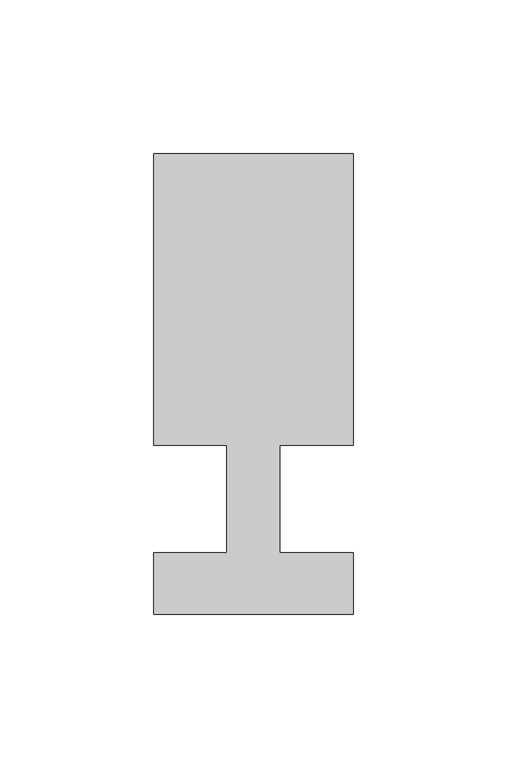
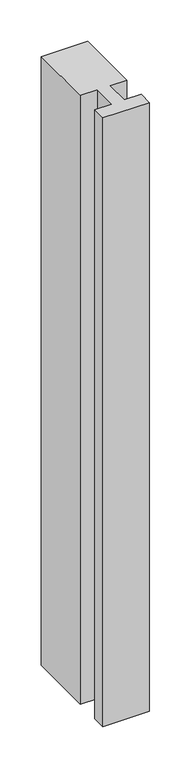
"""IFC4 building model written with IfcOpenShell, lengths in millimetres: member geometry."""

from ifc_helpers import new_model, si_unit, frame, origin, place, context, project, spatial, polyline, outline, extrude, source, transform, mapped, element, save


def member_b3e5bf6f(model_context):
    return source(origin(), model_context, "Body", "SweptSolid", [
        extrude(outline(polyline([(-65.0, -37.0), (-65.0, -17.0), (-41.1875, -17.0), (-41.1875, 18.0), (-65.0, 18.0), (-65.0, 113.0), (0.0, 113.0), (0.0, 18.0), (-23.8125, 18.0), (-23.8125, -17.0), (0.0, -17.0), (0.0, -37.0), (-65.0, -37.0)])), frame((0.0, 0.0, -902.5), z_axis=(0.0, 0.0, 1.0), x_axis=(1.0, 0.0, 0.0)), (0.0, 0.0, 1.0), 902.5),
    ])


if __name__ == "__main__":
    model = new_model("IFC4")
    model_context = context("Model", 3, world=origin())
    ifc_project = project(units=[si_unit("LENGTHUNIT", "METRE", prefix="MILLI")], contexts=[model_context])
    site = spatial("IfcSite", under=ifc_project)
    building = spatial("IfcBuilding", under=site)
    placement = place(None, origin())
    member_shape = member_b3e5bf6f(model_context)
    element("IfcMember", 1, at=placement, inside=building, context=model_context, shape_type="MappedRepresentation", body=[
        mapped(member_shape, transform((0.0, 0.0, 0.0), x_axis=(1.0, 0.0, 0.0), y_axis=(0.0, 1.0, 0.0), z_axis=(0.0, 0.0, 1.0))),
    ])
    save(model, "model.ifc")
